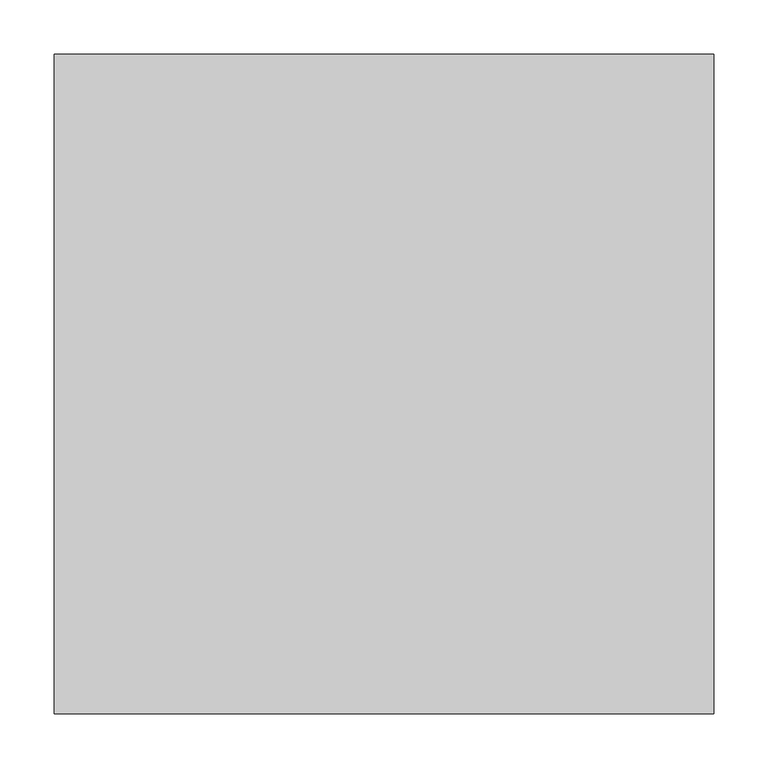
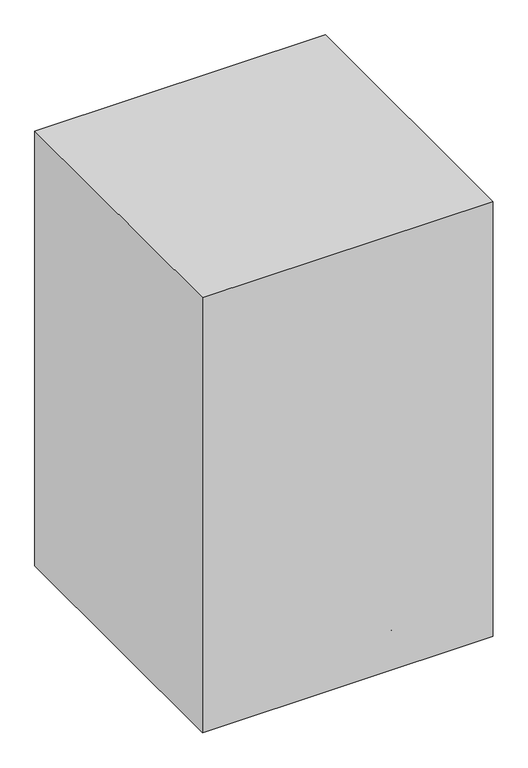
"""IFC4 building model written with IfcOpenShell, lengths in millimetres: proxy geometry."""

import ifcopenshell
import ifcopenshell.guid

model = None  # the IFC model being written
_history = None  # IfcOwnerHistory: only IFC2X3 demands one
_inside = {}  # id of a spatial element -> (the spatial element, [elements in it])
_under = {}  # id of a project, library or spatial element -> (it, [spatial elements below it])
_declared = {}  # id of a project -> (the project, [libraries it declares])
_typed = {}  # id of a type object -> (the type object, [elements of that type])
_made_of = {}  # id of a material, layer set ... -> (it, [elements and type objects made of it])


def new_model(schema):
    """Start an empty IFC model of exactly this schema.

    Asked for "IFC4X3", IfcOpenShell would pick the latest addendum, in which some entities
    have other attributes; the version numbers below select the first issue.
    IFC2X3 requires an IfcOwnerHistory on every rooted entity: one is made here for all.
    """
    global model, _history
    if schema == "IFC4X3":
        model = ifcopenshell.file(schema_version=(4, 3, 0, 0))
    else:
        model = ifcopenshell.file(schema=schema)
    _inside.clear()
    _under.clear()
    _declared.clear()
    _typed.clear()
    _made_of.clear()
    _history = None
    if model.schema == "IFC2X3":
        org = make("IfcOrganization", Name="unknown")
        user = make(
            "IfcPersonAndOrganization",
            ThePerson=make("IfcPerson", FamilyName="unknown"),
            TheOrganization=org,
        )
        app = make(
            "IfcApplication",
            ApplicationDeveloper=org,
            Version="unknown",
            ApplicationFullName="unknown",
            ApplicationIdentifier="unknown",
        )
        _history = make(
            "IfcOwnerHistory",
            OwningUser=user,
            OwningApplication=app,
            ChangeAction="ADDED",
            CreationDate=0,
        )
    return model


def make(cls, **values):
    """One entity of the class cls with the attributes given. An attribute that is None is left unset."""
    return model.create_entity(
        cls, **{name: value for name, value in values.items() if value is not None}
    )


def rooted(cls, **values):
    """An entity with a GlobalId (a new one), such as an element, a storey or a relation."""
    return make(cls, GlobalId=ifcopenshell.guid.new(), OwnerHistory=_history, **values)


def si_unit(unit_type, name, prefix=None):
    """IfcSIUnit, for example si_unit("LENGTHUNIT", "METRE", prefix="MILLI")."""
    return make("IfcSIUnit", UnitType=unit_type, Prefix=prefix, Name=name)


def assignment(units):
    """IfcUnitAssignment: the units of a project."""
    return None if units is None else make("IfcUnitAssignment", Units=units)


def point(xyz):
    """IfcCartesianPoint."""
    return None if xyz is None else make("IfcCartesianPoint", Coordinates=xyz)


def direction(xyz):
    """IfcDirection."""
    return None if xyz is None else make("IfcDirection", DirectionRatios=xyz)


def frame(location, z_axis=None, x_axis=None):
    """IfcAxis2Placement3D, a coordinate frame: its origin and axes. An axis left out is left unset."""
    return make(
        "IfcAxis2Placement3D",
        Location=point(location),
        Axis=direction(z_axis),
        RefDirection=direction(x_axis),
    )


def frame_2d(location, x_axis=None):
    """IfcAxis2Placement2D, a coordinate frame in the plane: its origin and x axis."""
    return make(
        "IfcAxis2Placement2D", Location=point(location), RefDirection=direction(x_axis)
    )


def origin():
    """The frame at (0, 0, 0) with its axes left unset."""
    return frame((0.0, 0.0, 0.0))


def origin_with_axes():
    """The frame at (0, 0, 0) with the z axis (0, 0, 1) and the x axis (1, 0, 0) written out."""
    return frame((0.0, 0.0, 0.0), z_axis=(0.0, 0.0, 1.0), x_axis=(1.0, 0.0, 0.0))


def origin_2d():
    """The frame at (0, 0) in the plane with its x axis left unset."""
    return frame_2d((0.0, 0.0))


def place(relative_to, where):
    """IfcLocalPlacement: puts the frame where relative to a parent placement (None: the world)."""
    return make(
        "IfcLocalPlacement", PlacementRelTo=relative_to, RelativePlacement=where
    )


def context(
    kind, dimensions, precision=None, world=None, true_north=None, identifier=None
):
    """IfcGeometricRepresentationContext, for example the 3D "Model" context."""
    return make(
        "IfcGeometricRepresentationContext",
        ContextIdentifier=identifier,
        ContextType=kind,
        CoordinateSpaceDimension=dimensions,
        Precision=precision,
        WorldCoordinateSystem=world,
        TrueNorth=true_north,
    )


def project(units=None, contexts=None):
    """IfcProject with its units and contexts."""
    return rooted(
        "IfcProject",
        Name="project",
        RepresentationContexts=contexts,
        UnitsInContext=assignment(units),
    )


def spatial(cls, under=None, at=None, **own):
    """A site, building, storey or space (cls), placed at a placement, below another one or the project."""
    s = rooted(cls, ObjectPlacement=at, **own)
    if under is not None:
        _under.setdefault(under.id(), (under, []))[1].append(s)
    return s


def polyline(points):
    """IfcPolyline through the points."""
    return make("IfcPolyline", Points=[point(p) for p in points])


def circle_curve(where, radius):
    """IfcCircle in the frame where."""
    return make("IfcCircle", Position=where, Radius=radius)


def trimmed(basis, trim1, trim2, sense, master):
    """IfcTrimmedCurve: the piece of a basis curve between two trims."""
    return make(
        "IfcTrimmedCurve",
        BasisCurve=basis,
        Trim1=trim1,
        Trim2=trim2,
        SenseAgreement=sense,
        MasterRepresentation=master,
    )


def segment(curve, same_sense, transition):
    """IfcCompositeCurveSegment."""
    return make(
        "IfcCompositeCurveSegment",
        Transition=transition,
        SameSense=same_sense,
        ParentCurve=curve,
    )


def composite_curve(segments, self_intersect=None):
    """IfcCompositeCurve: segments joined end to end."""
    return make("IfcCompositeCurve", Segments=segments, SelfIntersect=self_intersect)


def outline(outer, holes=None, kind="AREA"):
    """IfcArbitraryClosedProfileDef: a profile drawn as a closed curve; with holes, ...WithVoids."""
    if holes is None:
        return make("IfcArbitraryClosedProfileDef", ProfileType=kind, OuterCurve=outer)
    return make(
        "IfcArbitraryProfileDefWithVoids",
        ProfileType=kind,
        OuterCurve=outer,
        InnerCurves=holes,
    )


def extrude(swept, where, along, depth):
    """IfcExtrudedAreaSolid: the profile swept, set in the frame where, extruded along a direction by depth."""
    return make(
        "IfcExtrudedAreaSolid",
        SweptArea=swept,
        Position=where,
        ExtrudedDirection=direction(along),
        Depth=depth,
    )


def shape(context_of_items, identifier, shape_type, items):
    """IfcShapeRepresentation: the items that make up one representation, for example the "Body"."""
    return make(
        "IfcShapeRepresentation",
        ContextOfItems=context_of_items,
        RepresentationIdentifier=identifier,
        RepresentationType=shape_type,
        Items=items,
    )


def source(mapping_origin, context_of_items, identifier, shape_type, items):
    """IfcRepresentationMap: a shape defined once, which mapped items show again and again."""
    return make(
        "IfcRepresentationMap",
        MappingOrigin=mapping_origin,
        MappedRepresentation=shape(context_of_items, identifier, shape_type, items),
    )


def transform(
    local_origin,
    x_axis=None,
    y_axis=None,
    z_axis=None,
    scale=None,
    scale2=None,
    scale3=None,
    uniform=True,
):
    """IfcCartesianTransformationOperator3D, or its non-uniform kind. x_axis, y_axis, z_axis: its Axis1, 2, 3."""
    if uniform:
        return make(
            "IfcCartesianTransformationOperator3D",
            Axis1=direction(x_axis),
            Axis2=direction(y_axis),
            LocalOrigin=point(local_origin),
            Scale=scale,
            Axis3=direction(z_axis),
        )
    return make(
        "IfcCartesianTransformationOperator3DnonUniform",
        Axis1=direction(x_axis),
        Axis2=direction(y_axis),
        LocalOrigin=point(local_origin),
        Scale=scale,
        Axis3=direction(z_axis),
        Scale2=scale2,
        Scale3=scale3,
    )


def mapped(mapping_source, mapping_target):
    """IfcMappedItem: shows the shape of a source again, moved by a transform."""
    return make(
        "IfcMappedItem", MappingSource=mapping_source, MappingTarget=mapping_target
    )


def made_of(thing, what):
    """Note that an element or type object is made of a material, layer set ...; save() writes the relation."""
    if what is not None:
        _made_of.setdefault(what.id(), (what, []))[1].append(thing)
    return thing


def element(
    cls,
    number,
    at=None,
    inside=None,
    cuts=None,
    type_object=None,
    material=None,
    context=None,
    identifier="Body",
    shape_type=None,
    held_by="IfcProductDefinitionShape",
    body=None,
    shapes=None,
    **own,
):
    """One element of the class cls, such as IfcWall. Its Tag is "e" and its number.

    at: its placement. inside: the storey or other place that contains it. cuts: it is an
    opening in that element (IfcRelVoidsElement). A single representation is given by context,
    identifier, shape_type and body (its items); several are given by shapes. held_by: the class
    of the entity that holds the representations. save() writes the other relations.
    """
    e = rooted(cls, Tag="e%d" % number, ObjectPlacement=at, **own)
    if body is not None:
        shapes = [shape(context, identifier, shape_type, body)]
    if shapes is not None:
        e.Representation = make(held_by, Representations=shapes)
    if inside is not None:
        _inside.setdefault(inside.id(), (inside, []))[1].append(e)
    if cuts is not None:
        rooted(
            "IfcRelVoidsElement", RelatingBuildingElement=cuts, RelatedOpeningElement=e
        )
    if type_object is not None:
        _typed.setdefault(type_object.id(), (type_object, []))[1].append(e)
    return made_of(e, material)


def aggregate(whole, parts):
    """IfcRelAggregates: a whole, such as a stair, and the parts it consists of."""
    return rooted("IfcRelAggregates", RelatingObject=whole, RelatedObjects=parts)


def save(model, path):
    """Write the relations noted so far, then the file.

    IfcRelAggregates (storeys below a building ...), IfcRelContainedInSpatialStructure (elements
    in a storey), IfcRelDefinesByType, IfcRelAssociatesMaterial and IfcRelDeclares: one each for
    every whole, place, type object, material and project.
    """
    for whole, parts in _under.values():
        aggregate(whole, parts)
    for where, things in _inside.values():
        rooted(
            "IfcRelContainedInSpatialStructure",
            RelatedElements=things,
            RelatingStructure=where,
        )
    for kind, things in _typed.values():
        rooted("IfcRelDefinesByType", RelatedObjects=things, RelatingType=kind)
    for what, things in _made_of.values():
        rooted("IfcRelAssociatesMaterial", RelatedObjects=things, RelatingMaterial=what)
    for by, libraries in _declared.values():
        rooted("IfcRelDeclares", RelatingContext=by, RelatedDefinitions=libraries)
    model.write(path)


def specialty_equipment_1787ba6f(model_context):
    return source(origin(), model_context, "Body", "SweptSolid", [
        extrude(outline(composite_curve([segment(trimmed(circle_curve(frame_2d((0.0, -25.7612183)), 25.7612183), [point((0.0, -51.5224365))], [point((0.0, 0.0))], False, "CARTESIAN"), True, "CONTINUOUS"), segment(trimmed(circle_curve(frame_2d((0.0, -25.7612183)), 25.7612183), [point((0.0, 0.0))], [point((0.0, -51.5224365))], False, "CARTESIAN"), True, "CONTINUOUS")], self_intersect=False)), frame((203.8559823, 49.544861, 25.7612183), z_axis=(-0.3090169943748919, 0.9510565162951716, 0.0), x_axis=(0.0, 0.0, -1.0)), (0.0, 0.0, 1.0), 31.75),
        extrude(outline(composite_curve([segment(polyline([(-57.1058784, 0.0), (-0.678315, 0.0)]), True, "CONTINUOUS"), segment(trimmed(circle_curve(frame_2d((-28.8920968, 0.0)), 28.2137817), [point((-0.678315, 0.0))], [point((-57.1058784, 0.0))], False, "CARTESIAN"), True, "CONTINUOUS")], self_intersect=False)), frame((256.8155026, 63.4140597, 25.7612183), z_axis=(-0.30901699437489183, 0.9510565162951716, 0.0), x_axis=(0.9510565162951716, 0.30901699437489183, 0.0)), (0.0, 0.0, 1.0), 38.1),
        extrude(outline(composite_curve([segment(trimmed(circle_curve(frame_2d((223.4509477, 72.6028121)), 3.5091751), [point((222.3665529, 75.940236))], [point((224.5353424, 69.2653883))], False, "CARTESIAN"), True, "CONTINUOUS"), segment(trimmed(circle_curve(frame_2d((223.4509477, 72.6028121)), 3.5091751), [point((224.5353424, 69.2653883))], [point((222.3665529, 75.940236))], False, "CARTESIAN"), True, "CONTINUOUS")], self_intersect=False)), frame((0.0, 0.0, 53.975), z_axis=(0.0, 0.0, 1.0), x_axis=(1.0, 0.0, 0.0)), (0.0, 0.0, 1.0), 13.49375),
        extrude(outline(polyline([(230.0293313, 68.0638809), (25.3978935, 1.5750963), (21.4736172, 13.6527769), (226.105055, 80.1415615), (230.0293313, 68.0638809)])), frame((0.0, 0.0, 67.46875), z_axis=(0.0, 0.0, 1.0), x_axis=(1.0, 0.0, 0.0)), (0.0, 0.0, 1.0), 50.8),
        extrude(outline(composite_curve([segment(trimmed(circle_curve(frame_2d((0.0, -25.7612182)), 25.7612183), [point((0.0, -51.5224365))], [point((0.0, 0.0))], False, "CARTESIAN"), True, "CONTINUOUS"), segment(trimmed(circle_curve(frame_2d((0.0, -25.7612182)), 25.7612183), [point((0.0, 0.0))], [point((0.0, -51.5224365))], False, "CARTESIAN"), True, "CONTINUOUS")], self_intersect=False)), frame((110.1149259, -178.5683563, 25.7612183), z_axis=(0.8090169943749846, 0.5877852522924221, 0.0), x_axis=(0.0, 0.0, -1.0)), (0.0, 0.0, 1.0), 31.75),
        extrude(outline(composite_curve([segment(polyline([(-57.1058785, 0.0), (-0.6783149, 0.0)]), True, "CONTINUOUS"), segment(trimmed(circle_curve(frame_2d((-28.8920966, 0.0)), 28.2137817), [point((-0.6783149, 0.0))], [point((-57.1058785, 0.0))], False, "CARTESIAN"), True, "CONTINUOUS")], self_intersect=False)), frame((139.6707094, -224.6500351, 25.7612183), z_axis=(0.8090169943749845, 0.5877852522924222, 0.0), x_axis=(0.5877852522924222, -0.8090169943749845, 0.0)), (0.0, 0.0, 1.0), 38.1),
        extrude(outline(composite_curve([segment(trimmed(circle_curve(frame_2d((138.0995178, -190.0789771)), 3.5091751), [point((140.9385001, -188.0163357))], [point((135.2605355, -192.1416185))], False, "CARTESIAN"), True, "CONTINUOUS"), segment(trimmed(circle_curve(frame_2d((138.0995178, -190.0789771)), 3.5091751), [point((135.2605355, -192.1416185))], [point((140.9385001, -188.0163357))], False, "CARTESIAN"), True, "CONTINUOUS")], self_intersect=False)), frame((0.0, 0.0, 53.975), z_axis=(0.0, 0.0, 1.0), x_axis=(1.0, 0.0, 0.0)), (0.0, 0.0, 1.0), 13.49375),
        extrude(outline(polyline([(135.81557, -197.7379985), (9.3463863, -23.6681006), (19.620275, -16.2036835), (146.0894588, -190.2735815), (135.81557, -197.7379985)])), frame((0.0, 0.0, 67.46875), z_axis=(0.0, 0.0, 1.0), x_axis=(1.0, 0.0, 0.0)), (0.0, 0.0, 1.0), 50.8),
        extrude(outline(composite_curve([segment(trimmed(circle_curve(frame_2d((0.0, -25.7612182)), 25.7612183), [point((0.0, -51.5224365))], [point((0.0, 0.0))], False, "CARTESIAN"), True, "CONTINUOUS"), segment(trimmed(circle_curve(frame_2d((0.0, -25.7612182)), 25.7612183), [point((0.0, 0.0))], [point((0.0, -51.5224365))], False, "CARTESIAN"), True, "CONTINUOUS")], self_intersect=False)), frame((-110.1149259, -178.5683563, 25.7612183), z_axis=(-0.8090169943749151, 0.5877852522925178, 0.0), x_axis=(0.0, 0.0, 1.0)), (0.0, 0.0, 1.0), 31.75),
        extrude(outline(composite_curve([segment(trimmed(circle_curve(frame_2d((28.8920966, 0.0)), 28.2137817), [point((57.1058785, 0.0))], [point((0.6783149, 0.0))], False, "CARTESIAN"), True, "CONTINUOUS"), segment(polyline([(0.6783149, 0.0), (57.1058785, 0.0)]), True, "CONTINUOUS")], self_intersect=False)), frame((-139.6707094, -224.6500351, 25.7612183), z_axis=(-0.809016994374915, 0.5877852522925177, 0.0), x_axis=(0.5877852522925177, 0.809016994374915, 0.0)), (0.0, 0.0, 1.0), 38.1),
        extrude(outline(composite_curve([segment(trimmed(circle_curve(frame_2d((-138.1007518, -190.0780805)), 3.5091751), [point((-135.2617695, -192.1407219))], [point((-140.9397341, -188.0154391))], False, "CARTESIAN"), True, "CONTINUOUS"), segment(trimmed(circle_curve(frame_2d((-138.1007518, -190.0780805)), 3.5091751), [point((-140.9397341, -188.0154391))], [point((-135.2617695, -192.1407219))], False, "CARTESIAN"), True, "CONTINUOUS")], self_intersect=False)), frame((0.0, 0.0, 53.975), z_axis=(0.0, 0.0, 1.0), x_axis=(1.0, 0.0, 0.0)), (0.0, 0.0, 1.0), 13.49375),
        extrude(outline(polyline([(-146.0906928, -190.2726849), (-19.6215091, -16.2027869), (-9.3476203, -23.667204), (-135.8168041, -197.737102), (-146.0906928, -190.2726849)])), frame((0.0, 0.0, 67.46875), z_axis=(0.0, 0.0, 1.0), x_axis=(1.0, 0.0, 0.0)), (0.0, 0.0, 1.0), 50.8),
        extrude(outline(composite_curve([segment(trimmed(circle_curve(frame_2d((0.0, -25.7612183)), 25.7612183), [point((0.0, -51.5224365))], [point((0.0, 0.0))], False, "CARTESIAN"), True, "CONTINUOUS"), segment(trimmed(circle_curve(frame_2d((0.0, -25.7612183)), 25.7612183), [point((0.0, 0.0))], [point((0.0, -51.5224365))], False, "CARTESIAN"), True, "CONTINUOUS")], self_intersect=False)), frame((-203.8559823, 49.544861, 25.7612183), z_axis=(0.3090169943749793, 0.9510565162951433, 0.0), x_axis=(0.0, 0.0, 1.0)), (0.0, 0.0, 1.0), 31.75),
        extrude(outline(composite_curve([segment(trimmed(circle_curve(frame_2d((28.8920968, 0.0)), 28.2137817), [point((57.1058784, 0.0))], [point((0.678315, 0.0))], False, "CARTESIAN"), True, "CONTINUOUS"), segment(polyline([(0.678315, 0.0), (57.1058784, 0.0)]), True, "CONTINUOUS")], self_intersect=False)), frame((-256.8155026, 63.4140597, 25.7612183), z_axis=(0.3090169943749793, 0.9510565162951433, 0.0), x_axis=(0.9510565162951433, -0.3090169943749793, 0.0)), (0.0, 0.0, 1.0), 38.1),
        extrude(outline(composite_curve([segment(trimmed(circle_curve(frame_2d((-223.4504763, 72.6042628)), 3.5091751), [point((-224.5348711, 69.266839))], [point((-222.3660816, 75.9416867))], False, "CARTESIAN"), True, "CONTINUOUS"), segment(trimmed(circle_curve(frame_2d((-223.4504763, 72.6042628)), 3.5091751), [point((-222.3660816, 75.9416867))], [point((-224.5348711, 69.266839))], False, "CARTESIAN"), True, "CONTINUOUS")], self_intersect=False)), frame((0.0, 0.0, 53.975), z_axis=(0.0, 0.0, 1.0), x_axis=(1.0, 0.0, 0.0)), (0.0, 0.0, 1.0), 13.49375),
        extrude(outline(polyline([(-226.1045836, 80.1430121), (-21.4731458, 13.6542275), (-25.3974221, 1.576547), (-230.0288599, 68.0653316), (-226.1045836, 80.1430121)])), frame((0.0, 0.0, 67.46875), z_axis=(0.0, 0.0, 1.0), x_axis=(1.0, 0.0, 0.0)), (0.0, 0.0, 1.0), 50.8),
        extrude(outline(composite_curve([segment(trimmed(circle_curve(frame_2d((234.9499827, 25.7612183)), 25.7612183), [point((260.7112009, 25.7612183))], [point((209.1887644, 25.7612183))], False, "CARTESIAN"), True, "CONTINUOUS"), segment(trimmed(circle_curve(frame_2d((234.9499827, 25.7612183)), 25.7612183), [point((209.1887644, 25.7612183))], [point((260.7112009, 25.7612183))], False, "CARTESIAN"), True, "CONTINUOUS")], self_intersect=False)), frame((-15.875, 0.0, 0.0), z_axis=(1.0, 0.0, 0.0), x_axis=(0.0, 1.0, 0.0)), (0.0, 0.0, 1.0), 31.75),
        extrude(outline(composite_curve([segment(trimmed(circle_curve(frame_2d((234.9499827, 25.7612183)), 28.2137817), [point((206.7362009, 25.7612183))], [point((263.1637644, 25.7612183))], False, "CARTESIAN"), True, "CONTINUOUS"), segment(polyline([(263.1637644, 25.7612183), (206.7362009, 25.7612183)]), True, "CONTINUOUS")], self_intersect=False)), frame((-19.05, 0.0, 0.0), z_axis=(1.0, 0.0, 0.0), x_axis=(0.0, 1.0, 0.0)), (0.0, 0.0, 1.0), 38.1),
        extrude(outline(composite_curve([segment(trimmed(circle_curve(frame_2d((0.0007627, 234.9499827)), 3.5091751), [point((-3.5084124, 234.9499827))], [point((3.5099378, 234.9499827))], False, "CARTESIAN"), True, "CONTINUOUS"), segment(trimmed(circle_curve(frame_2d((0.0007627, 234.9499827)), 3.5091751), [point((3.5099378, 234.9499827))], [point((-3.5084124, 234.9499827))], False, "CARTESIAN"), True, "CONTINUOUS")], self_intersect=False)), frame((0.0, 0.0, 53.975), z_axis=(0.0, 0.0, 1.0), x_axis=(1.0, 0.0, 0.0)), (0.0, 0.0, 1.0), 13.49375),
        extrude(outline(polyline([(6.3503751, 239.8037904), (6.3503751, 24.6415636), (-6.3488498, 24.6415636), (-6.3488498, 239.8037904), (6.3503751, 239.8037904)])), frame((0.0, 0.0, 67.46875), z_axis=(0.0, 0.0, 1.0), x_axis=(1.0, 0.0, 0.0)), (0.0, 0.0, 1.0), 50.8),
        extrude(outline(composite_curve([segment(trimmed(circle_curve(origin_2d(), 25.4466483), [point((-25.4466483, 0.0))], [point((25.4466483, 0.0))], False, "CARTESIAN"), True, "CONTINUOUS"), segment(trimmed(circle_curve(origin_2d(), 25.4466483), [point((25.4466483, 0.0))], [point((-25.4466483, 0.0))], False, "CARTESIAN"), True, "CONTINUOUS")], self_intersect=False)), frame((0.0, 0.0, 67.46875), z_axis=(0.0, 0.0, 1.0), x_axis=(1.0, 0.0, 0.0)), (0.0, 0.0, 1.0), 694.53125),
        extrude(outline(composite_curve([segment(trimmed(circle_curve(origin_2d(), 254.0), [point((-254.0, 0.0))], [point((254.0, 0.0))], False, "CARTESIAN"), True, "CONTINUOUS"), segment(trimmed(circle_curve(origin_2d(), 254.0), [point((254.0, 0.0))], [point((-254.0, 0.0))], False, "CARTESIAN"), True, "CONTINUOUS")], self_intersect=False)), frame((0.0, 0.0, 762.0), z_axis=(0.0, 0.0, 1.0), x_axis=(1.0, 0.0, 0.0)), (0.0, 0.0, 1.0), 50.8),
        extrude(outline(polyline([(304.8, 304.8), (304.8, -304.8), (-304.8, -304.8), (-304.8, 304.8), (304.8, 304.8)])), origin_with_axes(), (0.0, 0.0, 1.0), 965.2),
    ])


if __name__ == "__main__":
    model = new_model("IFC4")
    model_context = context("Model", 3, world=origin())
    ifc_project = project(units=[si_unit("LENGTHUNIT", "METRE", prefix="MILLI")], contexts=[model_context])
    site = spatial("IfcSite", under=ifc_project)
    building = spatial("IfcBuilding", under=site)
    placement = place(None, origin())
    specialty_equipment_shape = specialty_equipment_1787ba6f(model_context)
    element("IfcBuildingElementProxy", 1, Name="Specialty Equipment", at=placement, inside=building, context=model_context, shape_type="MappedRepresentation", body=[
        mapped(specialty_equipment_shape, transform((0.0, 0.0, 0.0), x_axis=(1.0, 0.0, 0.0), y_axis=(0.0, 1.0, 0.0), z_axis=(0.0, 0.0, 1.0))),
    ])
    save(model, "model.ifc")
